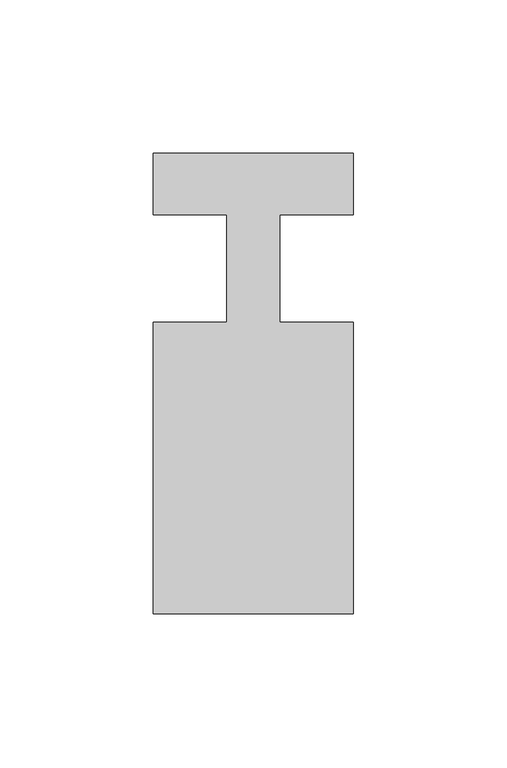
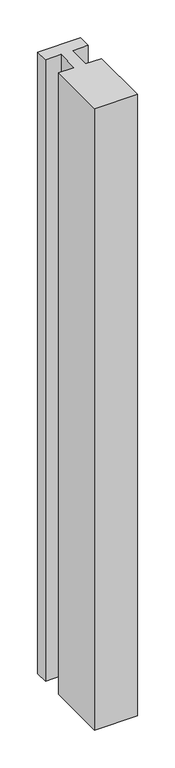
"""IFC4 building model written with IfcOpenShell, lengths in millimetres: member geometry."""

from ifc_helpers import new_model, si_unit, frame, origin, place, context, project, spatial, polyline, outline, extrude, source, transform, mapped, element, save


def member_42062831(model_context):
    return source(origin(), model_context, "Body", "SweptSolid", [
        extrude(outline(polyline([(0.0, 37.0), (0.0, 17.0), (-23.8125, 17.0), (-23.8125, -18.0), (0.0, -18.0), (0.0, -113.0), (-65.0, -113.0), (-65.0, -18.0), (-41.1875, -18.0), (-41.1875, 17.0), (-65.0, 17.0), (-65.0, 37.0), (0.0, 37.0)])), frame((0.0, 0.0, -1000.0), z_axis=(0.0, 0.0, 1.0), x_axis=(1.0, 0.0, 0.0)), (0.0, 0.0, 1.0), 1000.0),
    ])


if __name__ == "__main__":
    model = new_model("IFC4")
    model_context = context("Model", 3, world=origin())
    ifc_project = project(units=[si_unit("LENGTHUNIT", "METRE", prefix="MILLI")], contexts=[model_context])
    site = spatial("IfcSite", under=ifc_project)
    building = spatial("IfcBuilding", under=site)
    placement = place(None, origin())
    member_shape = member_42062831(model_context)
    element("IfcMember", 1, at=placement, inside=building, context=model_context, shape_type="MappedRepresentation", body=[
        mapped(member_shape, transform((0.0, 0.0, 0.0), x_axis=(1.0, 0.0, 0.0), y_axis=(0.0, 1.0, 0.0), z_axis=(0.0, 0.0, 1.0))),
    ])
    save(model, "model.ifc")
